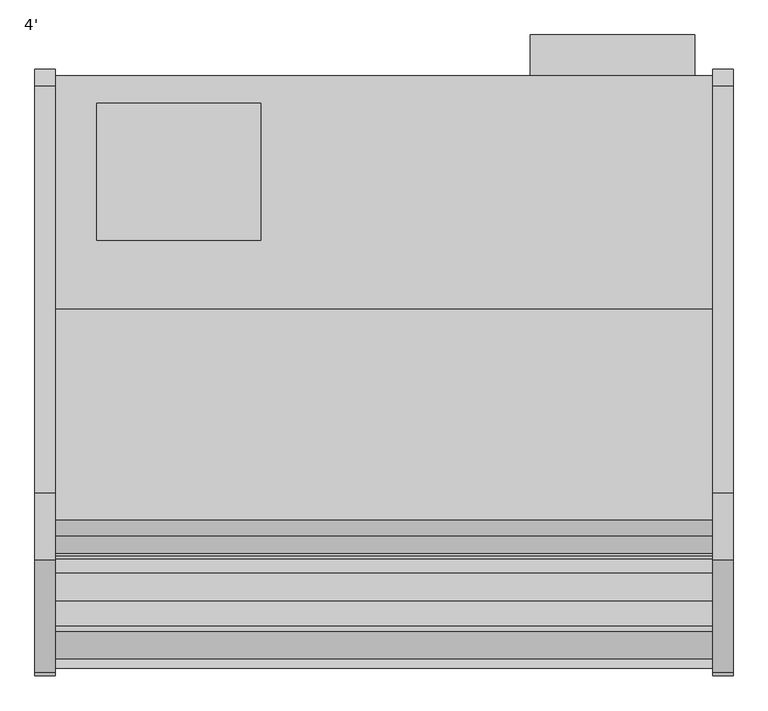
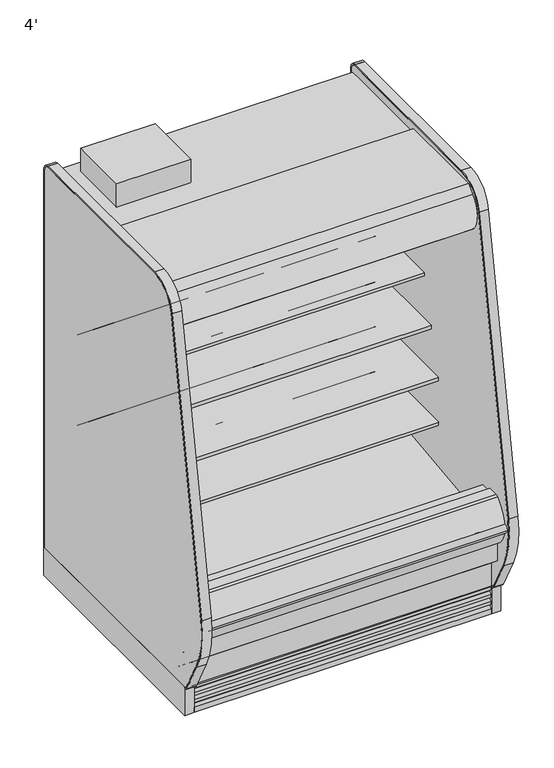
"""IFC4 building model written with IfcOpenShell, lengths in millimetres: proxy geometry, 4'."""

from ifc_helpers import new_model, si_unit, point, frame, frame_2d, origin, origin_with_axes, place, context, project, spatial, polyline, circle_curve, trimmed, segment, composite_curve, outline, extrude, faceted_brep, source, transform, mapped, element, save
from ifc_brep_helpers import plane_surface, revolved_surface, advanced_brep


def proxy_4_782ab888(model_context):
    return source(origin(), model_context, "Body", "SolidModel", [
        extrude(outline(polyline([(381.0, -452.3089273), (381.0, -706.3089273), (76.2, -706.3089273), (76.2, -452.3089273), (381.0, -452.3089273)])), frame((0.0, 0.0, 1747.9264001), z_axis=(0.0, 0.0, 1.0), x_axis=(1.0, 0.0, 0.0)), (0.0, 0.0, 1.0), 101.6),
        extrude(outline(polyline([(1185.811073, -325.3089273), (1185.811073, -401.5089273), (880.796077, -401.5089273), (880.796077, -325.3089273), (1185.811073, -325.3089273)])), frame((0.0, 0.0, 186.4360001), z_axis=(0.0, 0.0, 1.0), x_axis=(1.0, 0.0, 0.0)), (0.0, 0.0, 1.0), 1447.8),
        extrude(outline(polyline([(744.7751963, -1346.7911816), (435.3523963, -1346.7911816), (435.3523963, -1249.5865659), (744.7751963, -1249.5865659), (744.7751963, -1346.7911816)])), frame((0.0, 0.0, 53.2186364), z_axis=(0.0, 0.0, 1.0), x_axis=(1.0, 0.0, 0.0)), (0.0, 0.0, 1.0), 9.8914),
        faceted_brep([(1219.2, -1207.9589273, 130.175), (1219.2, -1275.0830824, 130.175), (1219.2, -1369.8839273, 206.7143253), (1219.2, -1369.8839273, 10.9768116), (1219.2, -1207.9589273, 10.9768116), (0.0, -1207.9589273, 130.175), (0.0, -1207.9589273, 10.9768116), (0.0, -1369.8839273, 10.9768116), (0.0, -1369.8839273, 206.7143253), (0.0, -1275.0830824, 130.175), (744.7751963, -1346.7911816, 10.9768116), (744.7751963, -1249.5865659, 10.9768116), (435.3523963, -1249.5865659, 10.9768116), (435.3523963, -1346.7911816, 10.9768116), (744.7751963, -1346.7911816, 63.1100364), (435.3523963, -1346.7911816, 63.1100364), (435.3523963, -1249.5865659, 63.1100364), (744.7751963, -1249.5865659, 63.1100364)], [[[0, 1, 2, 3, 4]], [[5, 6, 7, 8, 9]], [[1, 0, 5, 9]], [[2, 1, 9, 8]], [[3, 2, 8, 7]], [[4, 3, 7, 6], [10, 11, 12, 13]], [[0, 4, 6, 5]], [[14, 15, 16, 17]], [[14, 17, 11, 10]], [[17, 16, 12, 11]], [[16, 15, 13, 12]], [[15, 14, 10, 13]]]),
        extrude(outline(composite_curve([segment(trimmed(circle_curve(frame_2d((368.3, 1139.6090336)), 12.7), [point((368.3, 1152.3090336))], [point((368.3, 1126.9090336))], False, "CARTESIAN"), True, "CONTINUOUS"), segment(trimmed(circle_curve(frame_2d((368.3, 1139.6090336)), 12.7), [point((368.3, 1126.9090336))], [point((368.3, 1152.3090336))], False, "CARTESIAN"), True, "CONTINUOUS")], self_intersect=False)), frame((0.0, -447.5561252, 0.0), z_axis=(0.0, 1.0, 0.0), x_axis=(0.0, 0.0, 1.0)), (0.0, 0.0, 1.0), 52.3971979),
        extrude(outline(composite_curve([segment(trimmed(circle_curve(frame_2d((368.3, 1101.1972115)), 9.525), [point((368.3, 1110.7222115))], [point((368.3, 1091.6722115))], False, "CARTESIAN"), True, "CONTINUOUS"), segment(trimmed(circle_curve(frame_2d((368.3, 1101.1972115)), 9.525), [point((368.3, 1091.6722115))], [point((368.3, 1110.7222115))], False, "CARTESIAN"), True, "CONTINUOUS")], self_intersect=False)), frame((0.0, -447.5561252, 0.0), z_axis=(0.0, 1.0, 0.0), x_axis=(0.0, 0.0, 1.0)), (0.0, 0.0, 1.0), 52.3971979),
        extrude(outline(composite_curve([segment(polyline([(-451.7851762, 1697.7360001), (-451.7851762, 404.745884), (-504.9331995, 404.745884), (-504.9331995, 1618.3415628)]), True, "CONTINUOUS"), segment(trimmed(circle_curve(frame_2d((-530.3331995, 1618.3415628)), 25.4), [point((-504.9331995, 1618.3415628))], [point((-530.3331995, 1643.7415628))], True, "CARTESIAN"), True, "CONTINUOUS"), segment(polyline([(-530.3331995, 1643.7415628), (-996.5139611, 1643.7415628), (-996.5139611, 1637.1817932), (-1098.1139599, 1637.1817932), (-1098.1139599, 1697.7360001), (-451.7851762, 1697.7360001)]), True, "CONTINUOUS")], self_intersect=False)), frame((0.0, 0.0, 0.0), z_axis=(1.0, 0.0, 0.0), x_axis=(0.0, 1.0, 0.0)), (0.0, 0.0, 1.0), 1219.2),
        advanced_brep(
        [(1219.2, -1428.7889874, 391.24255), (1219.2, -1428.7889874, 254.2724833), (1219.2, -1275.0830824, 130.175), (1219.2, -401.5089273, 130.175), (1219.2, -401.5089273, 1747.9264001), (1219.2, -1139.2416873, 1747.9264001), (1219.2, -1139.2416873, 1697.7360001), (1219.2, -451.7851762, 1697.7360001), (1219.2, -451.7851762, 363.9695251), (1219.2, -599.5014929, 211.662363), (1219.2, -1043.5931205, 195.6779213), (1219.2, -1096.7050237, 157.095884), (1219.2, -1163.5210307, 157.095884), (1219.2, -1221.5656168, 189.2720563), (1219.2, -1379.2843872, 341.5792153), (1219.2, -1379.2843872, 391.24255), (0.0, -1428.7889874, 391.24255), (0.0, -1379.2843872, 391.24255), (0.0, -1379.2843872, 341.5792153), (0.0, -1221.5656168, 189.2720563), (0.0, -1163.5210307, 157.095884), (0.0, -1096.7050237, 157.095884), (0.0, -1043.5931205, 195.6779213), (0.0, -599.5014929, 211.662363), (0.0, -451.7851762, 363.9695251), (0.0, -451.7851762, 1697.7360001), (0.0, -1139.2416873, 1697.7360001), (0.0, -1139.2416873, 1747.9264001), (0.0, -401.5089273, 1747.9264001), (0.0, -401.5089273, 130.175), (0.0, -1275.0830824, 130.175), (0.0, -1428.7889874, 254.2724833), (1117.6, -401.5089273, 317.5), (1117.6, -401.5089273, 419.1), (1117.6, -447.5561252, 317.5), (1117.6, -447.5561252, 419.1)],
        [
            (0, 1),
            (1, 2),
            (2, 3),
            (3, 4),
            (4, 5),
            (5, 6),
            (6, 7),
            (7, 8),
            (8, 9, circle_curve(frame((1219.2, -605.0132276, 364.7934683), z_axis=(-1.0, 0.0, 0.0), x_axis=(0.0, 1.0, 0.0)), 153.2302667)),
            (9, 10),
            (10, 11),
            (11, 12),
            (12, 13),
            (13, 14, circle_curve(frame((1219.2, -1226.8843872, 341.5792153), z_axis=(-1.0, 0.0, 0.0), x_axis=(0.0, 1.0, 0.0)), 152.4)),
            (14, 15),
            (15, 0),
            (16, 17),
            (17, 18),
            (18, 19, circle_curve(frame((0.0, -1226.8843872, 341.5792153), z_axis=(1.0, 0.0, 0.0), x_axis=(0.0, 1.0, 0.0)), 152.4)),
            (19, 20),
            (20, 21),
            (21, 22),
            (22, 23),
            (23, 24, circle_curve(frame((0.0, -605.0132276, 364.7934683), z_axis=(1.0, 0.0, 0.0), x_axis=(0.0, 1.0, 0.0)), 153.2302667)),
            (24, 25),
            (25, 26),
            (26, 27),
            (27, 28),
            (28, 29),
            (29, 30),
            (30, 31),
            (31, 16),
            (0, 16),
            (31, 1),
            (30, 2),
            (29, 3),
            (28, 4),
            (32, 33, circle_curve(frame((1117.6, -401.5089273, 368.3), z_axis=(0.0, -1.0, 0.0), x_axis=(0.0, 0.0, 1.0)), 50.8)),
            (33, 32, circle_curve(frame((1117.6, -401.5089273, 368.3), z_axis=(0.0, -1.0, 0.0), x_axis=(0.0, 0.0, 1.0)), 50.8)),
            (27, 5),
            (26, 6),
            (25, 7),
            (24, 8),
            (23, 9),
            (22, 10),
            (21, 11),
            (20, 12),
            (19, 13),
            (18, 14),
            (17, 15),
            (34, 35, circle_curve(frame((1117.6, -447.5561252, 368.3), z_axis=(0.0, 1.0, 0.0), x_axis=(0.0, 0.0, 1.0)), 50.8)),
            (35, 34, circle_curve(frame((1117.6, -447.5561252, 368.3), z_axis=(0.0, 1.0, 0.0), x_axis=(0.0, 0.0, 1.0)), 50.8)),
            (35, 33),
            (32, 34),
        ],
        [
            plane_surface(frame((1219.2, -1428.7889874, 254.2724833), z_axis=(1.0, 0.0, 0.0), x_axis=(0.0, 0.0, -1.0))),
            plane_surface(frame((0.0, -1428.7889874, 254.2724833), z_axis=(-1.0, 0.0, 0.0), x_axis=(0.0, 0.0, 1.0))),
            plane_surface(frame((1219.2, -1428.7889874, 391.24255), z_axis=(0.0, -1.0, 0.0), x_axis=(-1.0, 0.0, 0.0))),
            plane_surface(frame((1219.2, -1428.7889874, 254.2724833), z_axis=(0.0, -0.6281851642637378, -0.7780638787393622), x_axis=(-1.0, 0.0, 0.0))),
            plane_surface(frame((1219.2, -1275.0830824, 130.175), z_axis=(0.0, 0.0, -1.0), x_axis=(-1.0, 0.0, 0.0))),
            plane_surface(frame((1219.2, -401.5089273, 130.175), z_axis=(0.0, 1.0, 0.0), x_axis=(-1.0, 0.0, 0.0))),
            plane_surface(frame((1219.2, -401.5089273, 1747.9264001), z_axis=(0.0, 0.0, 1.0), x_axis=(-1.0, 0.0, 0.0))),
            plane_surface(frame((1219.2, -1139.2416873, 1747.9264001), z_axis=(0.0, -1.0, 0.0), x_axis=(-1.0, 0.0, 0.0))),
            plane_surface(frame((1219.2, -1139.2416873, 1697.7360001), z_axis=(0.0, 0.0, -1.0), x_axis=(-1.0, 0.0, 0.0))),
            plane_surface(frame((1219.2, -451.7851762, 1697.7360001), z_axis=(0.0, -1.0, 0.0), x_axis=(-1.0, 0.0, 0.0))),
            revolved_surface(polyline([(0.0, -451.78296090000003, 364.7934683), (1219.2, -451.78296090000003, 364.7934683)]), (0.0, -605.0132276, 364.7934683), (-1.0, 0.0, 0.0)),
            plane_surface(frame((1219.2, -599.5014929, 211.662363), z_axis=(0.0, -0.035970274152171335, 0.9993528602938092), x_axis=(-1.0, 0.0, 0.0))),
            plane_surface(frame((1219.2, -1043.5931205, 195.6779213), z_axis=(0.0, -0.5877252382160976, 0.8090605937529224), x_axis=(-1.0, 0.0, 0.0))),
            plane_surface(frame((1219.2, -1096.7050237, 157.095884), z_axis=(0.0, 0.0, 1.0), x_axis=(-1.0, 0.0, 0.0))),
            plane_surface(frame((1219.2, -1163.5210307, 157.095884), z_axis=(0.0, 0.48482728759131516, 0.8746099137368889), x_axis=(-1.0, 0.0, 0.0))),
            revolved_surface(polyline([(0.0, -1074.4843872, 341.5792153), (1219.2, -1074.4843872, 341.5792153)]), (0.0, -1226.8843872, 341.5792153), (-1.0, 0.0, 0.0)),
            plane_surface(frame((1219.2, -1379.2843872, 341.5792153), z_axis=(0.0, 1.0, 0.0), x_axis=(-1.0, 0.0, 0.0))),
            plane_surface(frame((1219.2, -1379.2843872, 391.24255), z_axis=(0.0, 0.0, 1.0), x_axis=(-1.0, 0.0, 0.0))),
            plane_surface(frame((1117.6, -447.5561252, 419.1), z_axis=(0.0, 1.0, 0.0), x_axis=(-1.0, 0.0, 0.0))),
            revolved_surface(polyline([(1117.6, -447.5561252, 419.1), (1117.6, -401.5089273, 419.1)]), (1117.6, -401.5089273, 368.3), (0.0, -1.0, 0.0)),
        ],
        [
            (0, [[1, 2, 3, 4, 5, 6, 7, 8, 9, 10, 11, 12, 13, 14, 15, 16]]),
            (1, [[17, 18, 19, 20, 21, 22, 23, 24, 25, 26, 27, 28, 29, 30, 31, 32]]),
            (2, [[-1, 33, -32, 34]]),
            (3, [[-2, -34, -31, 35]]),
            (4, [[-3, -35, -30, 36]]),
            (5, [[-4, -36, -29, 37], [38, 39]]),
            (6, [[-5, -37, -28, 40]]),
            (7, [[-6, -40, -27, 41]]),
            (8, [[-7, -41, -26, 42]]),
            (9, [[-8, -42, -25, 43]]),
            (10, [[-9, -43, -24, 44]]),
            (11, [[-10, -44, -23, 45]]),
            (12, [[-11, -45, -22, 46]]),
            (13, [[-12, -46, -21, 47]]),
            (14, [[-13, -47, -20, 48]]),
            (15, [[-14, -48, -19, 49]]),
            (16, [[-15, -49, -18, 50]]),
            (17, [[-16, -50, -17, -33]]),
            (18, [[51, 52]]),
            (19, [[-52, 53, -38, 54]]),
            (19, [[-51, -54, -39, -53]]),
        ],
    ),
        extrude(outline(composite_curve([segment(polyline([(-1324.3309113, 373.0751999), (-1297.0132113, 373.0751999), (-1291.5716401, 375.0168392), (-610.6406734, 456.5929299), (-610.1926758, 450.1862651), (-516.7472923, 456.7206028)]), True, "CONTINUOUS"), segment(trimmed(circle_curve(frame_2d((-517.6331995, 469.3896663)), 12.7), [point((-516.7472923, 456.7206028))], [point((-504.9331995, 469.3896663))], True, "CARTESIAN"), True, "CONTINUOUS"), segment(polyline([(-504.9331995, 469.3896663), (-504.9331995, 404.745884), (-451.7851762, 404.745884), (-451.7851762, 363.9695251)]), True, "CONTINUOUS"), segment(trimmed(circle_curve(frame_2d((-605.0132276, 364.7934683)), 153.2302667), [point((-451.7851762, 363.9695251))], [point((-599.5014929, 211.662363))], False, "CARTESIAN"), True, "CONTINUOUS"), segment(polyline([(-599.5014929, 211.662363), (-1043.5931205, 195.6779213), (-1096.7050237, 157.095884), (-1163.5210307, 157.095884), (-1221.5656168, 189.2720563)]), True, "CONTINUOUS"), segment(trimmed(circle_curve(frame_2d((-1226.8843872, 341.5792153)), 152.4), [point((-1221.5656168, 189.2720563))], [point((-1379.2843872, 341.5792153))], False, "CARTESIAN"), True, "CONTINUOUS"), segment(polyline([(-1379.2843872, 341.5792153), (-1379.2843872, 521.2079999), (-1324.3309113, 521.2079999), (-1324.3309113, 373.0751999)]), True, "CONTINUOUS")], self_intersect=False)), frame((0.0, 0.0, 0.0), z_axis=(1.0, 0.0, 0.0), x_axis=(0.0, 1.0, 0.0)), (0.0, 0.0, 1.0), 1219.2),
        extrude(outline(composite_curve([segment(trimmed(circle_curve(frame_2d((914.4, -1128.5839273)), 38.1), [point((876.3, -1128.5839273))], [point((952.5, -1128.5839273))], False, "CARTESIAN"), True, "CONTINUOUS"), segment(trimmed(circle_curve(frame_2d((914.4, -1128.5839273)), 38.1), [point((952.5, -1128.5839273))], [point((876.3, -1128.5839273))], False, "CARTESIAN"), True, "CONTINUOUS")], self_intersect=False)), frame((0.0, 0.0, 66.7090149), z_axis=(0.0, 0.0, 1.0), x_axis=(1.0, 0.0, 0.0)), (0.0, 0.0, 1.0), 57.1159851),
        extrude(outline(composite_curve([segment(trimmed(circle_curve(frame_2d((1023.6146724, -973.0089273)), 12.7), [point((1010.9146724, -973.0089273))], [point((1036.3146724, -973.0089273))], False, "CARTESIAN"), True, "CONTINUOUS"), segment(trimmed(circle_curve(frame_2d((1023.6146724, -973.0089273)), 12.7), [point((1036.3146724, -973.0089273))], [point((1010.9146724, -973.0089273))], False, "CARTESIAN"), True, "CONTINUOUS")], self_intersect=False)), frame((0.0, 0.0, 66.7090149), z_axis=(0.0, 0.0, 1.0), x_axis=(1.0, 0.0, 0.0)), (0.0, 0.0, 1.0), 57.1159851),
        extrude(outline(composite_curve([segment(trimmed(circle_curve(frame_2d((977.8012671, -973.0089273)), 9.525), [point((968.2762671, -973.0089273))], [point((987.3262671, -973.0089273))], False, "CARTESIAN"), True, "CONTINUOUS"), segment(trimmed(circle_curve(frame_2d((977.8012671, -973.0089273)), 9.525), [point((987.3262671, -973.0089273))], [point((968.2762671, -973.0089273))], False, "CARTESIAN"), True, "CONTINUOUS")], self_intersect=False)), frame((0.0, 0.0, 66.7090149), z_axis=(0.0, 0.0, 1.0), x_axis=(1.0, 0.0, 0.0)), (0.0, 0.0, 1.0), 57.1159851),
        advanced_brep(
        [(1219.2, -401.5089273, 0.0), (1219.2, -401.5089273, 130.175), (1219.2, -1207.9589273, 130.175), (1219.2, -1207.9589273, 0.0), (1219.2, -1161.1594273, 0.0), (1219.2, -1161.1594273, 74.8810382), (1219.2, -446.7209273, 74.8810382), (1219.2, -446.7209273, 0.0), (0.0, -401.5089273, 0.0), (0.0, -446.7209273, 0.0), (0.0, -446.7209273, 74.8810382), (0.0, -1161.1594273, 74.8810382), (0.0, -1161.1594273, 0.0), (0.0, -1207.9589273, 0.0), (0.0, -1207.9589273, 130.175), (0.0, -401.5089273, 130.175), (875.4195331, -1161.1594273, 0.0), (953.3804669, -1161.1594273, 0.0), (953.3804669, -1161.1594273, 74.8810382), (875.4195331, -1161.1594273, 74.8810382), (965.2, -1128.5839273, 74.8810382), (863.6, -1128.5839273, 74.8810382), (952.5, -973.0089273, 74.8810382), (1054.1, -973.0089273, 74.8810382), (863.6, -1128.5839273, 123.825), (965.2, -1128.5839273, 123.825), (952.5, -973.0089273, 123.825), (1054.1, -973.0089273, 123.825)],
        [
            (0, 1),
            (1, 2),
            (2, 3),
            (3, 4),
            (4, 5),
            (5, 6),
            (6, 7),
            (7, 0),
            (8, 9),
            (9, 10),
            (10, 11),
            (11, 12),
            (12, 13),
            (13, 14),
            (14, 15),
            (15, 8),
            (0, 8),
            (15, 1),
            (14, 2),
            (13, 3),
            (12, 16),
            (16, 17, circle_curve(frame((914.4, -1128.5839273, 0.0), z_axis=(0.0, 0.0, 1.0), x_axis=(1.0, 0.0, 0.0)), 50.8)),
            (17, 4),
            (17, 18),
            (18, 5),
            (11, 19),
            (19, 16),
            (18, 20, circle_curve(frame((914.4, -1128.5839273, 74.8810382), z_axis=(0.0, 0.0, 1.0), x_axis=(1.0, 0.0, 0.0)), 50.8)),
            (20, 21, circle_curve(frame((914.4, -1128.5839273, 74.8810382), z_axis=(0.0, 0.0, 1.0), x_axis=(1.0, 0.0, 0.0)), 50.8)),
            (21, 19, circle_curve(frame((914.4, -1128.5839273, 74.8810382), z_axis=(0.0, 0.0, 1.0), x_axis=(1.0, 0.0, 0.0)), 50.8)),
            (10, 6),
            (22, 23, circle_curve(frame((1003.3, -973.0089273, 74.8810382), z_axis=(0.0, 0.0, 1.0), x_axis=(1.0, 0.0, 0.0)), 50.8)),
            (23, 22, circle_curve(frame((1003.3, -973.0089273, 74.8810382), z_axis=(0.0, 0.0, 1.0), x_axis=(1.0, 0.0, 0.0)), 50.8)),
            (9, 7),
            (24, 25, circle_curve(frame((914.4, -1128.5839273, 123.825), z_axis=(0.0, 0.0, -1.0), x_axis=(1.0, 0.0, 0.0)), 50.8)),
            (25, 24, circle_curve(frame((914.4, -1128.5839273, 123.825), z_axis=(0.0, 0.0, -1.0), x_axis=(1.0, 0.0, 0.0)), 50.8)),
            (25, 20),
            (21, 24),
            (26, 27, circle_curve(frame((1003.3, -973.0089273, 123.825), z_axis=(0.0, 0.0, -1.0), x_axis=(1.0, 0.0, 0.0)), 50.8)),
            (27, 26, circle_curve(frame((1003.3, -973.0089273, 123.825), z_axis=(0.0, 0.0, -1.0), x_axis=(1.0, 0.0, 0.0)), 50.8)),
            (27, 23),
            (22, 26),
        ],
        [
            plane_surface(frame((1219.2, -401.5089273, 1893.5715584), z_axis=(1.0, 0.0, 0.0), x_axis=(0.0, 0.0, 1.0))),
            plane_surface(frame((0.0, -401.5089273, 1893.5715584), z_axis=(-1.0, 0.0, 0.0), x_axis=(0.0, 0.0, -1.0))),
            plane_surface(frame((1219.2, -401.5089273, 0.0), z_axis=(0.0, 1.0, 0.0), x_axis=(-1.0, 0.0, 0.0))),
            plane_surface(frame((1219.2, -401.5089273, 130.175), z_axis=(0.0, 0.0, 1.0), x_axis=(-1.0, 0.0, 0.0))),
            plane_surface(frame((1219.2, -1207.9589273, 130.175), z_axis=(0.0, -1.0, 0.0), x_axis=(-1.0, 0.0, 0.0))),
            plane_surface(frame((1219.2, -1207.9589273, 0.0), z_axis=(0.0, 0.0, -1.0), x_axis=(-1.0, 0.0, 0.0))),
            plane_surface(frame((1219.2, -1161.1594273, 0.0), z_axis=(0.0, 1.0, 0.0), x_axis=(-1.0, 0.0, 0.0))),
            plane_surface(frame((1219.2, -1161.1594273, 74.8810382), z_axis=(0.0, 0.0, -1.0), x_axis=(-1.0, 0.0, 0.0))),
            plane_surface(frame((1219.2, -446.7209273, 74.8810382), z_axis=(0.0, -1.0, 0.0), x_axis=(-1.0, 0.0, 0.0))),
            plane_surface(frame((1219.2, -446.7209273, 0.0), z_axis=(0.0, 0.0, -1.0), x_axis=(-1.0, 0.0, 0.0))),
            plane_surface(frame((965.2, -1128.5839273, 123.825), z_axis=(0.0, 0.0, -1.0), x_axis=(0.0, 1.0, 0.0))),
            revolved_surface(polyline([(965.1999999999999, -1128.5839273, 123.825), (965.1999999999999, -1128.5839273, 0.0)]), (914.4, -1128.5839273, 0.0), (0.0, 0.0, 1.0)),
            revolved_surface(polyline([(965.1999999999999, -1128.5839273, 123.825), (965.1999999999999, -1128.5839273, 74.8810382)]), (914.4, -1128.5839273, 0.0), (0.0, 0.0, 1.0)),
            plane_surface(frame((1054.1, -973.0089273, 123.825), z_axis=(0.0, 0.0, -1.0), x_axis=(0.0, 1.0, 0.0))),
            revolved_surface(polyline([(1054.1, -973.0089273, 123.825), (1054.1, -973.0089273, 74.8810382)]), (1003.3, -973.0089273, 0.0), (0.0, 0.0, 1.0)),
        ],
        [
            (0, [[1, 2, 3, 4, 5, 6, 7, 8]]),
            (1, [[9, 10, 11, 12, 13, 14, 15, 16]]),
            (2, [[-1, 17, -16, 18]]),
            (3, [[-2, -18, -15, 19]]),
            (4, [[-3, -19, -14, 20]]),
            (5, [[-4, -20, -13, 21, 22, 23]]),
            (6, [[-5, -23, 24, 25]]),
            (6, [[-12, 26, 27, -21]]),
            (7, [[-6, -25, 28, 29, 30, -26, -11, 31], [32, 33]]),
            (8, [[-7, -31, -10, 34]]),
            (9, [[-8, -34, -9, -17]]),
            (10, [[35, 36]]),
            (11, [[-36, 37, -28, -24, -22, -27, -30, 38]]),
            (12, [[-35, -38, -29, -37]]),
            (13, [[39, 40]]),
            (14, [[-40, 41, -32, 42]]),
            (14, [[-39, -42, -33, -41]]),
        ],
    ),
        extrude(outline(polyline([(1257.3, -388.8089273), (1257.3, -1388.9339273), (1219.2, -1388.9339273), (1219.2, -388.8089273), (1257.3, -388.8089273)])), origin_with_axes(), (0.0, 0.0, 1.0), 123.825),
        extrude(outline(polyline([(1219.2, -996.5139611), (1219.2, -1098.1139599), (0.0, -1098.1139599), (0.0, -996.5139611), (1219.2, -996.5139611)])), frame((0.0, 0.0, 1611.781792), z_axis=(0.0, 0.0, 1.0), x_axis=(1.0, 0.0, 0.0)), (0.0, 0.0, 1.0), 25.4000011),
        extrude(outline(composite_curve([segment(polyline([(-834.1197918, 1747.9264001), (-1139.2416873, 1747.9264001), (-1139.2416873, 1697.7360001), (-1098.1139599, 1697.7360001), (-1098.1139599, 1611.781792), (-1102.0441706, 1611.781792), (-1145.2982964, 1638.6902586), (-1229.1846298, 1638.6902586), (-1234.6028577, 1609.3156271), (-1242.6978272, 1602.7581239), (-1244.4566599, 1596.9057625), (-1247.8744356, 1591.5734097)]), True, "CONTINUOUS"), segment(trimmed(circle_curve(frame_2d((-1254.9813118, 1596.1285676)), 8.4413951), [point((-1247.8744356, 1591.5734097))], [point((-1261.3923737, 1590.637171))], False, "CARTESIAN"), True, "CONTINUOUS"), segment(trimmed(circle_curve(frame_2d((-1181.3177231, 1659.2251311)), 105.4336661), [point((-1261.3923737, 1590.637171))], [point((-1254.3783459, 1735.2409409))], False, "CARTESIAN"), True, "CONTINUOUS"), segment(trimmed(circle_curve(frame_2d((-1721.3249588, 2221.0748085)), 673.8498988), [point((-1254.3783459, 1735.2409409))], [point((-1224.995421, 1765.3))], True, "CARTESIAN"), True, "CONTINUOUS"), segment(polyline([(-1224.995421, 1765.3), (-834.1197918, 1765.3), (-834.1197918, 1747.9264001)]), True, "CONTINUOUS")], self_intersect=False)), frame((0.0, 0.0, 0.0), z_axis=(1.0, 0.0, 0.0), x_axis=(0.0, 1.0, 0.0)), (0.0, 0.0, 1.0), 1219.2),
        extrude(outline(composite_curve([segment(trimmed(circle_curve(frame_2d((-775.1768909, 1614.4334873)), 14.2875), [point((-789.4643909, 1614.4334873))], [point((-760.8893909, 1614.4334873))], False, "CARTESIAN"), True, "CONTINUOUS"), segment(trimmed(circle_curve(frame_2d((-775.1768909, 1614.4334873)), 14.2875), [point((-760.8893909, 1614.4334873))], [point((-789.4643909, 1614.4334873))], False, "CARTESIAN"), True, "CONTINUOUS")], self_intersect=False)), frame((0.0, 0.0, 0.0), z_axis=(1.0, 0.0, 0.0), x_axis=(0.0, 1.0, 0.0)), (0.0, 0.0, 1.0), 1219.2),
        extrude(outline(composite_curve([segment(trimmed(circle_curve(frame_2d((-1161.5261636, 1620.5311052)), 14.2875), [point((-1175.8136636, 1620.5311052))], [point((-1147.2386636, 1620.5311052))], False, "CARTESIAN"), True, "CONTINUOUS"), segment(trimmed(circle_curve(frame_2d((-1161.5261636, 1620.5311052)), 14.2875), [point((-1147.2386636, 1620.5311052))], [point((-1175.8136636, 1620.5311052))], False, "CARTESIAN"), True, "CONTINUOUS")], self_intersect=False)), frame((0.0, 0.0, 0.0), z_axis=(1.0, 0.0, 0.0), x_axis=(0.0, 1.0, 0.0)), (0.0, 0.0, 1.0), 1219.2),
        extrude(outline(composite_curve([segment(trimmed(circle_curve(frame_2d((-1206.6074088, 1621.0573227)), 14.2875), [point((-1220.8949088, 1621.0573227))], [point((-1192.3199088, 1621.0573227))], False, "CARTESIAN"), True, "CONTINUOUS"), segment(trimmed(circle_curve(frame_2d((-1206.6074088, 1621.0573227)), 14.2875), [point((-1192.3199088, 1621.0573227))], [point((-1220.8949088, 1621.0573227))], False, "CARTESIAN"), True, "CONTINUOUS")], self_intersect=False)), frame((0.0, 0.0, 0.0), z_axis=(1.0, 0.0, 0.0), x_axis=(0.0, 1.0, 0.0)), (0.0, 0.0, 1.0), 1219.2),
        extrude(outline(polyline([(-755.2139611, 1643.7415628), (-755.2139611, 1642.1540628), (-767.1202111, 1642.1540628), (-802.8389611, 1618.3415628), (-802.8389611, 1642.1540628), (-823.4764611, 1642.1540628), (-823.4764611, 1583.5761808), (-820.1998305, 1567.4468459), (-821.7555536, 1567.130805), (-825.0639611, 1583.4165628), (-825.0639611, 1643.7415628), (-755.2139611, 1643.7415628)])), frame((0.0, 0.0, 0.0), z_axis=(1.0, 0.0, 0.0), x_axis=(0.0, 1.0, 0.0)), (0.0, 0.0, 1.0), 1219.2),
        extrude(outline(polyline([(-524.5538195, 1364.7404382), (-699.0292362, 1609.345951), (-692.6360518, 1611.3180598), (-519.384186, 1368.427902), (-524.5538195, 1364.7404382)])), frame((0.0, 0.0, 0.0), z_axis=(1.0, 0.0, 0.0), x_axis=(0.0, 1.0, 0.0)), (0.0, 0.0, 1.0), 1219.2),
        extrude(outline(composite_curve([segment(polyline([(-504.9331995, 1389.1244166), (-504.9331995, 1351.0251669)]), True, "CONTINUOUS"), segment(trimmed(circle_curve(frame_2d((-507.7906995, 1351.0251669)), 2.8575), [point((-504.9331995, 1351.0251669))], [point((-506.6741853, 1348.3948242))], False, "CARTESIAN"), True, "CONTINUOUS"), segment(polyline([(-506.6741853, 1348.3948242), (-515.7704668, 1344.5336819)]), True, "CONTINUOUS"), segment(trimmed(circle_curve(frame_2d((-516.8869809, 1347.1640245)), 2.8575), [point((-515.7704668, 1344.5336819))], [point((-519.4330321, 1345.8667466))], False, "CARTESIAN"), True, "CONTINUOUS"), segment(polyline([(-519.4330321, 1345.8667466), (-527.3608411, 1361.425948)]), True, "CONTINUOUS"), segment(trimmed(circle_curve(frame_2d((-526.2292629, 1362.0025159)), 1.27), [point((-527.3608411, 1361.425948))], [point((-526.8058308, 1363.1340942))], False, "CARTESIAN"), True, "CONTINUOUS"), segment(polyline([(-526.8058308, 1363.1340942), (-519.384186, 1368.427902), (-507.5996446, 1351.9065843), (-506.2031995, 1351.0251669), (-506.2031995, 1389.1244166), (-504.9331995, 1389.1244166)]), True, "CONTINUOUS")], self_intersect=False)), frame((0.0, 0.0, 0.0), z_axis=(1.0, 0.0, 0.0), x_axis=(0.0, 1.0, 0.0)), (0.0, 0.0, 1.0), 1219.2),
        extrude(outline(composite_curve([segment(polyline([(-697.0188534, 1617.462521), (-692.6360518, 1611.3180598), (-701.6311946, 1608.5433237)]), True, "CONTINUOUS"), segment(trimmed(circle_curve(frame_2d((-702.2914708, 1610.6838079)), 2.2400083), [point((-701.6311946, 1608.5433237))], [point((-703.4764456, 1608.7828943))], False, "CARTESIAN"), True, "CONTINUOUS"), segment(polyline([(-703.4764456, 1608.7828943), (-727.5060675, 1642.4711818), (-743.3810675, 1642.4711818), (-743.3810675, 1643.7411818), (-727.5060675, 1643.7411818)]), True, "CONTINUOUS"), segment(trimmed(circle_curve(frame_2d((-727.5060675, 1642.4711818)), 1.27), [point((-727.5060675, 1643.7411818))], [point((-726.4721408, 1643.2086746))], False, "CARTESIAN"), True, "CONTINUOUS"), segment(polyline([(-726.4721408, 1643.2086746), (-714.3244423, 1626.1782294), (-704.636549, 1633.0885365)]), True, "CONTINUOUS"), segment(trimmed(circle_curve(frame_2d((-703.8990563, 1632.0546097)), 1.27), [point((-704.636549, 1633.0885365))], [point((-702.8651296, 1632.7921025))], False, "CARTESIAN"), True, "CONTINUOUS"), segment(polyline([(-702.8651296, 1632.7921025), (-693.6464701, 1619.8680186), (-697.0188534, 1617.462521)]), True, "CONTINUOUS")], self_intersect=False)), frame((0.0, 0.0, 0.0), z_axis=(1.0, 0.0, 0.0), x_axis=(0.0, 1.0, 0.0)), (0.0, 0.0, 1.0), 1219.2),
        extrude(outline(composite_curve([segment(polyline([(-504.9331995, 603.1377781), (-504.9331995, 528.0367518), (-528.313746, 528.0367518)]), True, "CONTINUOUS"), segment(trimmed(circle_curve(frame_2d((-528.7455821, 553.4330806)), 25.4), [point((-528.313746, 528.0367518))], [point((-544.7229383, 533.6875979))], False, "CARTESIAN"), True, "CONTINUOUS"), segment(polyline([(-544.7229383, 533.6875979), (-562.5749995, 548.1328634)]), True, "CONTINUOUS"), segment(trimmed(circle_curve(frame_2d((-602.5183901, 498.7691567)), 63.5), [point((-562.5749995, 548.1328634))], [point((-594.6205089, 561.7760886))], True, "CARTESIAN"), True, "CONTINUOUS"), segment(polyline([(-594.6205089, 561.7760886), (-869.1842482, 585.473226), (-870.6730247, 588.9137781), (-1012.9331995, 588.9137781), (-1012.9331995, 603.1377781), (-504.9331995, 603.1377781)]), True, "CONTINUOUS")], self_intersect=False)), frame((0.0, 0.0, 0.0), z_axis=(1.0, 0.0, 0.0), x_axis=(0.0, 1.0, 0.0)), (0.0, 0.0, 1.0), 1219.2),
        extrude(outline(composite_curve([segment(polyline([(-504.9331995, 796.951863), (-504.9331995, 721.8508366), (-528.313746, 721.8508366)]), True, "CONTINUOUS"), segment(trimmed(circle_curve(frame_2d((-528.7455821, 747.2471655)), 25.4), [point((-528.313746, 721.8508366))], [point((-544.7229383, 727.5016828))], False, "CARTESIAN"), True, "CONTINUOUS"), segment(polyline([(-544.7229383, 727.5016828), (-562.5749995, 741.9469483)]), True, "CONTINUOUS"), segment(trimmed(circle_curve(frame_2d((-602.5183901, 692.5832415)), 63.5), [point((-562.5749995, 741.9469483))], [point((-594.6205089, 755.5901735))], True, "CARTESIAN"), True, "CONTINUOUS"), segment(polyline([(-594.6205089, 755.5901735), (-869.1842482, 779.2873109), (-870.6730247, 782.727863), (-1012.9331995, 782.727863), (-1012.9331995, 796.951863), (-504.9331995, 796.951863)]), True, "CONTINUOUS")], self_intersect=False)), frame((0.0, 0.0, 0.0), z_axis=(1.0, 0.0, 0.0), x_axis=(0.0, 1.0, 0.0)), (0.0, 0.0, 1.0), 1219.2),
        extrude(outline(composite_curve([segment(polyline([(-504.9331995, 990.7659479), (-504.9331995, 915.6649215), (-528.313746, 915.6649215)]), True, "CONTINUOUS"), segment(trimmed(circle_curve(frame_2d((-528.7455821, 941.0612503)), 25.4), [point((-528.313746, 915.6649215))], [point((-544.7229383, 921.3157676))], False, "CARTESIAN"), True, "CONTINUOUS"), segment(polyline([(-544.7229383, 921.3157676), (-562.5749995, 935.7610332)]), True, "CONTINUOUS"), segment(trimmed(circle_curve(frame_2d((-602.5183901, 886.3973264)), 63.5), [point((-562.5749995, 935.7610332))], [point((-594.6205089, 949.4042583))], True, "CARTESIAN"), True, "CONTINUOUS"), segment(polyline([(-594.6205089, 949.4042583), (-869.1842482, 973.1013958), (-870.6730247, 976.5419479), (-962.1331995, 976.5419479), (-962.1331995, 990.7659479), (-504.9331995, 990.7659479)]), True, "CONTINUOUS")], self_intersect=False)), frame((0.0, 0.0, 0.0), z_axis=(1.0, 0.0, 0.0), x_axis=(0.0, 1.0, 0.0)), (0.0, 0.0, 1.0), 1219.2),
        extrude(outline(composite_curve([segment(polyline([(-504.9331995, 1188.9777893), (-504.9331995, 1113.876763), (-528.313746, 1113.876763)]), True, "CONTINUOUS"), segment(trimmed(circle_curve(frame_2d((-528.7455821, 1139.2730918)), 25.4), [point((-528.313746, 1113.876763))], [point((-544.7229383, 1119.5276091))], False, "CARTESIAN"), True, "CONTINUOUS"), segment(polyline([(-544.7229383, 1119.5276091), (-562.5749995, 1133.9728746)]), True, "CONTINUOUS"), segment(trimmed(circle_curve(frame_2d((-602.5183901, 1084.6091679)), 63.5), [point((-562.5749995, 1133.9728746))], [point((-594.6205089, 1147.6160998))], True, "CARTESIAN"), True, "CONTINUOUS"), segment(polyline([(-594.6205089, 1147.6160998), (-869.1842482, 1171.3132372), (-870.6730247, 1174.7537893), (-911.3331995, 1174.7537893), (-911.3331995, 1188.9777893), (-504.9331995, 1188.9777893)]), True, "CONTINUOUS")], self_intersect=False)), frame((0.0, 0.0, 0.0), z_axis=(1.0, 0.0, 0.0), x_axis=(0.0, 1.0, 0.0)), (0.0, 0.0, 1.0), 1219.2),
        extrude(outline(composite_curve([segment(trimmed(circle_curve(frame_2d((-1483.1743585, 428.625)), 17.2640772), [point((-1500.4384357, 428.625))], [point((-1465.9102813, 428.625))], False, "CARTESIAN"), True, "CONTINUOUS"), segment(trimmed(circle_curve(frame_2d((-1483.1743585, 428.625)), 17.2640772), [point((-1465.9102813, 428.625))], [point((-1500.4384357, 428.625))], False, "CARTESIAN"), True, "CONTINUOUS")], self_intersect=False)), frame((0.0, 0.0, 0.0), z_axis=(1.0, 0.0, 0.0), x_axis=(0.0, 1.0, 0.0)), (0.0, 0.0, 1.0), 1219.2),
        extrude(outline(composite_curve([segment(polyline([(-1375.5997913, 521.2079999), (-1379.2843872, 521.2079999), (-1379.2843872, 391.24255), (-1428.7889874, 391.24255), (-1428.7889874, 350.0194213), (-1453.2591168, 350.0194213)]), True, "CONTINUOUS"), segment(trimmed(circle_curve(frame_2d((-1358.032609, 434.0486555)), 126.9999999), [point((-1453.2591168, 350.0194213))], [point((-1482.9898477, 411.3619088))], False, "CARTESIAN"), True, "CONTINUOUS"), segment(trimmed(circle_curve(frame_2d((-1483.1743585, 428.625)), 17.2640772), [point((-1482.9898477, 411.3619088))], [point((-1465.9102813, 428.625))], True, "CARTESIAN"), True, "CONTINUOUS"), segment(trimmed(circle_curve(frame_2d((-1483.1743585, 428.625)), 17.2640772), [point((-1465.9102813, 428.625))], [point((-1483.4541442, 445.8868099))], True, "CARTESIAN"), True, "CONTINUOUS"), segment(trimmed(circle_curve(frame_2d((-1311.1712796, 402.089233)), 177.7628003), [point((-1483.4541442, 445.8868099))], [point((-1431.9539384, 532.5160803))], False, "CARTESIAN"), True, "CONTINUOUS"), segment(trimmed(circle_curve(frame_2d((-1421.0971419, 520.7923962)), 15.9785731), [point((-1431.9539384, 532.5160803))], [point((-1421.1927913, 536.770683))], False, "CARTESIAN"), True, "CONTINUOUS"), segment(polyline([(-1421.1927913, 536.770683), (-1375.5997913, 536.770683), (-1375.5997913, 521.2079999)]), True, "CONTINUOUS")], self_intersect=False)), frame((0.0, 0.0, 0.0), z_axis=(1.0, 0.0, 0.0), x_axis=(0.0, 1.0, 0.0)), (0.0, 0.0, 1.0), 1219.2),
        extrude(outline(composite_curve([segment(polyline([(-1369.8839273, 206.7143253), (-1369.8839273, 0.0), (-1388.9339273, 0.0), (-1388.9339273, 21.4927595)]), True, "CONTINUOUS"), segment(trimmed(circle_curve(frame_2d((-1389.2433986, 35.0385724)), 13.5493476), [point((-1388.9339273, 21.4927595))], [point((-1376.3135203, 30.9885022))], True, "CARTESIAN"), True, "CONTINUOUS"), segment(polyline([(-1376.3135203, 30.9885022), (-1373.1694807, 42.2520535), (-1383.8066759, 40.0942307), (-1385.8005759, 40.0942307), (-1385.8005759, 52.7942307)]), True, "CONTINUOUS"), segment(trimmed(circle_curve(frame_2d((-1390.2184437, 66.2963779)), 14.2065314), [point((-1385.8005759, 52.7942307))], [point((-1376.6585778, 62.0589765))], True, "CARTESIAN"), True, "CONTINUOUS"), segment(polyline([(-1376.6585778, 62.0589765), (-1373.1694807, 73.2242366), (-1383.8066759, 71.0664138), (-1385.8005759, 71.0664138), (-1385.8005759, 83.7664138)]), True, "CONTINUOUS"), segment(trimmed(circle_curve(frame_2d((-1390.290819, 97.3399774)), 14.2969897), [point((-1385.8005759, 83.7664138))], [point((-1376.6585778, 93.0311596))], True, "CARTESIAN"), True, "CONTINUOUS"), segment(polyline([(-1376.6585778, 93.0311596), (-1373.1694807, 104.0699677), (-1383.8066759, 102.0387838), (-1385.8005759, 102.0387838), (-1385.8005759, 114.7387838)]), True, "CONTINUOUS"), segment(trimmed(circle_curve(frame_2d((-1385.2028113, 125.7034438)), 10.9809422), [point((-1385.8005759, 114.7387838))], [point((-1377.4170772, 117.9598377))], True, "CARTESIAN"), True, "CONTINUOUS"), segment(polyline([(-1377.4170772, 117.9598377), (-1377.4170772, 121.5911682), (-1387.8660349, 121.5911682), (-1387.8660349, 221.2325333), (-1369.8839273, 206.7143253)]), True, "CONTINUOUS")], self_intersect=False)), frame((0.0, 0.0, 0.0), z_axis=(1.0, 0.0, 0.0), x_axis=(0.0, 1.0, 0.0)), (0.0, 0.0, 1.0), 1219.2),
        extrude(outline(composite_curve([segment(polyline([(-1174.664716, 1785.14248), (-420.5589273, 1785.14248)]), True, "CONTINUOUS"), segment(trimmed(circle_curve(frame_2d((-420.5589273, 1759.74248)), 25.4), [point((-420.5589273, 1785.14248))], [point((-395.1589273, 1759.74248))], False, "CARTESIAN"), True, "CONTINUOUS"), segment(polyline([(-395.1589273, 1759.74248), (-395.1589273, 123.825), (-1391.7911098, 123.825)]), True, "CONTINUOUS"), segment(trimmed(circle_curve(frame_2d((-1391.7911098, 131.2778251)), 7.4528251), [point((-1391.7911098, 123.825))], [point((-1398.3904092, 127.8146114))], False, "CARTESIAN"), True, "CONTINUOUS"), segment(polyline([(-1398.3904092, 127.8146114), (-1469.6820497, 263.6638308)]), True, "CONTINUOUS"), segment(trimmed(circle_curve(frame_2d((-1171.6750273, 420.0534632)), 336.55), [point((-1469.6820497, 263.6638308))], [point((-1502.6735172, 480.9295848))], False, "CARTESIAN"), True, "CONTINUOUS"), segment(polyline([(-1502.6735172, 480.9295848), (-1293.5353301, 1685.1370822)]), True, "CONTINUOUS"), segment(trimmed(circle_curve(frame_2d((-1174.664716, 1664.49248)), 120.65), [point((-1293.5353301, 1685.1370822))], [point((-1174.664716, 1785.14248))], False, "CARTESIAN"), True, "CONTINUOUS")], self_intersect=False)), frame((1219.2, 0.0, 0.0), z_axis=(1.0, 0.0, 0.0), x_axis=(0.0, 1.0, 0.0)), (0.0, 0.0, 1.0), 38.1),
        extrude(outline(composite_curve([segment(trimmed(circle_curve(frame_2d((-420.5589273, 1759.74248)), 31.75), [point((-420.5589273, 1791.49248))], [point((-388.8089273, 1759.74248))], False, "CARTESIAN"), True, "CONTINUOUS"), segment(polyline([(-388.8089273, 1759.74248), (-388.8089273, 123.825), (-395.1589273, 123.825), (-395.1589273, 1759.74248)]), True, "CONTINUOUS"), segment(trimmed(circle_curve(frame_2d((-420.5589273, 1759.74248)), 25.4), [point((-395.1589273, 1759.74248))], [point((-420.5589273, 1785.14248))], True, "CARTESIAN"), True, "CONTINUOUS"), segment(polyline([(-420.5589273, 1785.14248), (-1174.664716, 1785.14248)]), True, "CONTINUOUS"), segment(trimmed(circle_curve(frame_2d((-1174.664716, 1664.49248)), 120.65), [point((-1174.664716, 1785.14248))], [point((-1293.5353301, 1685.1370822))], True, "CARTESIAN"), True, "CONTINUOUS"), segment(polyline([(-1293.5353301, 1685.1370822), (-1502.6735172, 480.9295848)]), True, "CONTINUOUS"), segment(trimmed(circle_curve(frame_2d((-1171.6750273, 420.0534632)), 336.55), [point((-1502.6735172, 480.9295848))], [point((-1469.6820497, 263.6638308))], True, "CARTESIAN"), True, "CONTINUOUS"), segment(polyline([(-1469.6820497, 263.6638308), (-1398.3904092, 127.8146114)]), True, "CONTINUOUS"), segment(trimmed(circle_curve(frame_2d((-1391.7911098, 131.2778251)), 7.4528251), [point((-1398.3904092, 127.8146114))], [point((-1391.7911098, 123.825))], True, "CARTESIAN"), True, "CONTINUOUS"), segment(polyline([(-1391.7911098, 123.825), (-1388.9339273, 123.825), (-1388.9339273, 117.475), (-1391.7911098, 117.475)]), True, "CONTINUOUS"), segment(trimmed(circle_curve(frame_2d((-1391.7911098, 131.2778251)), 13.8028251), [point((-1391.7911098, 117.475))], [point((-1404.0131833, 124.8638636))], False, "CARTESIAN"), True, "CONTINUOUS"), segment(polyline([(-1404.0131833, 124.8638636), (-1475.3048237, 260.713083)]), True, "CONTINUOUS"), segment(trimmed(circle_curve(frame_2d((-1171.6750273, 420.0534632)), 342.9), [point((-1475.3048237, 260.713083))], [point((-1508.9244977, 482.0470493))], False, "CARTESIAN"), True, "CONTINUOUS"), segment(polyline([(-1508.9244977, 482.0470493), (-1299.7916782, 1686.2236402)]), True, "CONTINUOUS"), segment(trimmed(circle_curve(frame_2d((-1174.664716, 1664.49248)), 127.0), [point((-1299.7916782, 1686.2236402))], [point((-1174.664716, 1791.49248))], False, "CARTESIAN"), True, "CONTINUOUS"), segment(polyline([(-1174.664716, 1791.49248), (-420.5589273, 1791.49248)]), True, "CONTINUOUS")], self_intersect=False)), frame((1219.2, 0.0, 0.0), z_axis=(1.0, 0.0, 0.0), x_axis=(0.0, 1.0, 0.0)), (0.0, 0.0, 1.0), 38.1),
        extrude(outline(composite_curve([segment(polyline([(-1174.664716, 1785.14248), (-420.5589273, 1785.14248)]), True, "CONTINUOUS"), segment(trimmed(circle_curve(frame_2d((-420.5589273, 1759.74248)), 25.4), [point((-420.5589273, 1785.14248))], [point((-395.1589273, 1759.74248))], False, "CARTESIAN"), True, "CONTINUOUS"), segment(polyline([(-395.1589273, 1759.74248), (-395.1589273, 123.825), (-1391.7911098, 123.825)]), True, "CONTINUOUS"), segment(trimmed(circle_curve(frame_2d((-1391.7911098, 131.2778251)), 7.4528251), [point((-1391.7911098, 123.825))], [point((-1398.3904092, 127.8146114))], False, "CARTESIAN"), True, "CONTINUOUS"), segment(polyline([(-1398.3904092, 127.8146114), (-1469.6820497, 263.6638308)]), True, "CONTINUOUS"), segment(trimmed(circle_curve(frame_2d((-1171.6750273, 420.0534632)), 336.55), [point((-1469.6820497, 263.6638308))], [point((-1502.6735172, 480.9295848))], False, "CARTESIAN"), True, "CONTINUOUS"), segment(polyline([(-1502.6735172, 480.9295848), (-1293.5353301, 1685.1370822)]), True, "CONTINUOUS"), segment(trimmed(circle_curve(frame_2d((-1174.664716, 1664.49248)), 120.65), [point((-1293.5353301, 1685.1370822))], [point((-1174.664716, 1785.14248))], False, "CARTESIAN"), True, "CONTINUOUS")], self_intersect=False)), frame((-38.1, 0.0, 0.0), z_axis=(1.0, 0.0, 0.0), x_axis=(0.0, 1.0, 0.0)), (0.0, 0.0, 1.0), 38.1),
        extrude(outline(composite_curve([segment(trimmed(circle_curve(frame_2d((-420.5589273, 1759.74248)), 31.75), [point((-420.5589273, 1791.49248))], [point((-388.8089273, 1759.74248))], False, "CARTESIAN"), True, "CONTINUOUS"), segment(polyline([(-388.8089273, 1759.74248), (-388.8089273, 123.825), (-395.1589273, 123.825), (-395.1589273, 1759.74248)]), True, "CONTINUOUS"), segment(trimmed(circle_curve(frame_2d((-420.5589273, 1759.74248)), 25.4), [point((-395.1589273, 1759.74248))], [point((-420.5589273, 1785.14248))], True, "CARTESIAN"), True, "CONTINUOUS"), segment(polyline([(-420.5589273, 1785.14248), (-1174.664716, 1785.14248)]), True, "CONTINUOUS"), segment(trimmed(circle_curve(frame_2d((-1174.664716, 1664.49248)), 120.65), [point((-1174.664716, 1785.14248))], [point((-1293.5353301, 1685.1370822))], True, "CARTESIAN"), True, "CONTINUOUS"), segment(polyline([(-1293.5353301, 1685.1370822), (-1502.6735172, 480.9295848)]), True, "CONTINUOUS"), segment(trimmed(circle_curve(frame_2d((-1171.6750273, 420.0534632)), 336.55), [point((-1502.6735172, 480.9295848))], [point((-1469.6820497, 263.6638308))], True, "CARTESIAN"), True, "CONTINUOUS"), segment(polyline([(-1469.6820497, 263.6638308), (-1398.3904092, 127.8146114)]), True, "CONTINUOUS"), segment(trimmed(circle_curve(frame_2d((-1391.7911098, 131.2778251)), 7.4528251), [point((-1398.3904092, 127.8146114))], [point((-1391.7911098, 123.825))], True, "CARTESIAN"), True, "CONTINUOUS"), segment(polyline([(-1391.7911098, 123.825), (-1388.9339273, 123.825), (-1388.9339273, 117.475), (-1391.7911098, 117.475)]), True, "CONTINUOUS"), segment(trimmed(circle_curve(frame_2d((-1391.7911098, 131.2778251)), 13.8028251), [point((-1391.7911098, 117.475))], [point((-1404.0131833, 124.8638636))], False, "CARTESIAN"), True, "CONTINUOUS"), segment(polyline([(-1404.0131833, 124.8638636), (-1475.3048237, 260.713083)]), True, "CONTINUOUS"), segment(trimmed(circle_curve(frame_2d((-1171.6750273, 420.0534632)), 342.9), [point((-1475.3048237, 260.713083))], [point((-1508.9244977, 482.0470493))], False, "CARTESIAN"), True, "CONTINUOUS"), segment(polyline([(-1508.9244977, 482.0470493), (-1299.7916782, 1686.2236402)]), True, "CONTINUOUS"), segment(trimmed(circle_curve(frame_2d((-1174.664716, 1664.49248)), 127.0), [point((-1299.7916782, 1686.2236402))], [point((-1174.664716, 1791.49248))], False, "CARTESIAN"), True, "CONTINUOUS"), segment(polyline([(-1174.664716, 1791.49248), (-420.5589273, 1791.49248)]), True, "CONTINUOUS")], self_intersect=False)), frame((-38.1, 0.0, 0.0), z_axis=(1.0, 0.0, 0.0), x_axis=(0.0, 1.0, 0.0)), (0.0, 0.0, 1.0), 38.1),
        extrude(outline(polyline([(0.0, -388.8089273), (0.0, -1388.9339273), (-38.1, -1388.9339273), (-38.1, -388.8089273), (0.0, -388.8089273)])), origin_with_axes(), (0.0, 0.0, 1.0), 123.825),
    ])


if __name__ == "__main__":
    model = new_model("IFC4")
    model_context = context("Model", 3, world=origin())
    ifc_project = project(units=[si_unit("LENGTHUNIT", "METRE", prefix="MILLI")], contexts=[model_context])
    site = spatial("IfcSite", under=ifc_project)
    building = spatial("IfcBuilding", under=site)
    placement = place(None, origin())
    proxy_4_shape = proxy_4_782ab888(model_context)
    element("IfcBuildingElementProxy", 1, Name="4'", ObjectType="4'", at=placement, inside=building, context=model_context, shape_type="MappedRepresentation", body=[
        mapped(proxy_4_shape, transform((0.0, 0.0, 0.0), x_axis=(1.0, 0.0, 0.0), y_axis=(0.0, 1.0, 0.0), z_axis=(0.0, 0.0, 1.0))),
    ])
    save(model, "model.ifc")
